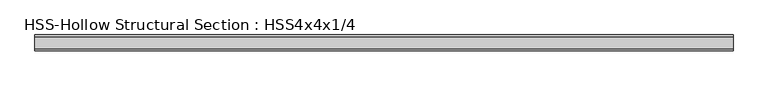
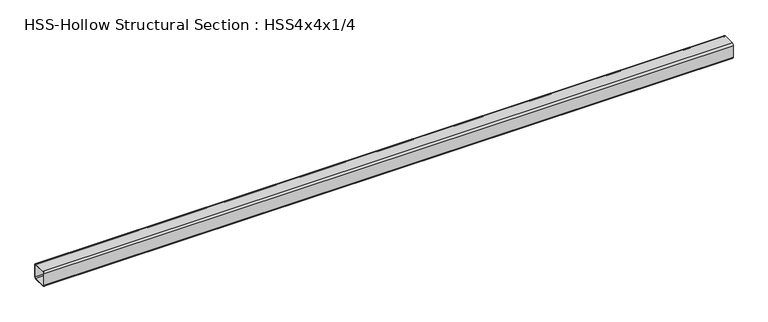
"""IFC4 building model written with IfcOpenShell, lengths in millimetres: member geometry, HSS-Hollow Structural Section : HSS4x4x1/4."""

from ifc_helpers import new_model, si_unit, point, frame, frame_2d, origin, place, context, project, spatial, polyline, circle_curve, trimmed, segment, composite_curve, outline, extrude, source, transform, mapped, element, save


def hss_hollow_structural_section_hss4x4x1_4_13915df9(model_context):
    return source(origin(), model_context, "Body", "SweptSolid", [
        extrude(outline(composite_curve([segment(polyline([(50.8, 38.9636), (50.8, -38.9636)]), True, "CONTINUOUS"), segment(trimmed(circle_curve(frame_2d((38.9636, -38.9636)), 11.8364), [point((50.8, -38.9636))], [point((38.9636, -50.8))], False, "CARTESIAN"), True, "CONTINUOUS"), segment(polyline([(38.9636, -50.8), (-38.9636, -50.8)]), True, "CONTINUOUS"), segment(trimmed(circle_curve(frame_2d((-38.9636, -38.9636)), 11.8364), [point((-38.9636, -50.8))], [point((-50.8, -38.9636))], False, "CARTESIAN"), True, "CONTINUOUS"), segment(polyline([(-50.8, -38.9636), (-50.8, 38.9636)]), True, "CONTINUOUS"), segment(trimmed(circle_curve(frame_2d((-38.9636, 38.9636)), 11.8364), [point((-50.8, 38.9636))], [point((-38.9636, 50.8))], False, "CARTESIAN"), True, "CONTINUOUS"), segment(polyline([(-38.9636, 50.8), (38.9636, 50.8)]), True, "CONTINUOUS"), segment(trimmed(circle_curve(frame_2d((38.9636, 38.9636)), 11.8364), [point((38.9636, 50.8))], [point((50.8, 38.9636))], False, "CARTESIAN"), True, "CONTINUOUS")], self_intersect=False), holes=[composite_curve([segment(trimmed(circle_curve(frame_2d((-38.9636, 38.9636)), 5.9182), [point((-38.9636, 44.8818))], [point((-44.8818, 38.9636))], True, "CARTESIAN"), True, "CONTINUOUS"), segment(polyline([(-44.8818, 38.9636), (-44.8818, -38.9636)]), True, "CONTINUOUS"), segment(trimmed(circle_curve(frame_2d((-38.9636, -38.9636)), 5.9182), [point((-44.8818, -38.9636))], [point((-38.9636, -44.8818))], True, "CARTESIAN"), True, "CONTINUOUS"), segment(polyline([(-38.9636, -44.8818), (38.9636, -44.8818)]), True, "CONTINUOUS"), segment(trimmed(circle_curve(frame_2d((38.9636, -38.9636)), 5.9182), [point((38.9636, -44.8818))], [point((44.8818, -38.9636))], True, "CARTESIAN"), True, "CONTINUOUS"), segment(polyline([(44.8818, -38.9636), (44.8818, 38.9636)]), True, "CONTINUOUS"), segment(trimmed(circle_curve(frame_2d((38.9636, 38.9636)), 5.9182), [point((44.8818, 38.9636))], [point((38.9636, 44.8818))], True, "CARTESIAN"), True, "CONTINUOUS"), segment(polyline([(38.9636, 44.8818), (-38.9636, 44.8818)]), True, "CONTINUOUS")], self_intersect=False)]), frame((-2286.1431243, 0.0, 0.0), z_axis=(1.0, 0.0, 0.0), x_axis=(0.0, 1.0, 0.0)), (0.0, 0.0, 1.0), 4460.2375081),
    ])


if __name__ == "__main__":
    model = new_model("IFC4")
    model_context = context("Model", 3, world=origin())
    ifc_project = project(units=[si_unit("LENGTHUNIT", "METRE", prefix="MILLI")], contexts=[model_context])
    site = spatial("IfcSite", under=ifc_project)
    building = spatial("IfcBuilding", under=site)
    placement = place(None, origin())
    hss_hollow_structural_section_hss4x4x1_4_shape = hss_hollow_structural_section_hss4x4x1_4_13915df9(model_context)
    element("IfcMember", 1, ObjectType="HSS-Hollow Structural Section : HSS4x4x1/4", at=placement, inside=building, context=model_context, shape_type="MappedRepresentation", body=[
        mapped(hss_hollow_structural_section_hss4x4x1_4_shape, transform((0.0, 0.0, 0.0), x_axis=(1.0, 0.0, 0.0), y_axis=(0.0, 1.0, 0.0), z_axis=(0.0, 0.0, 1.0))),
    ])
    save(model, "model.ifc")
